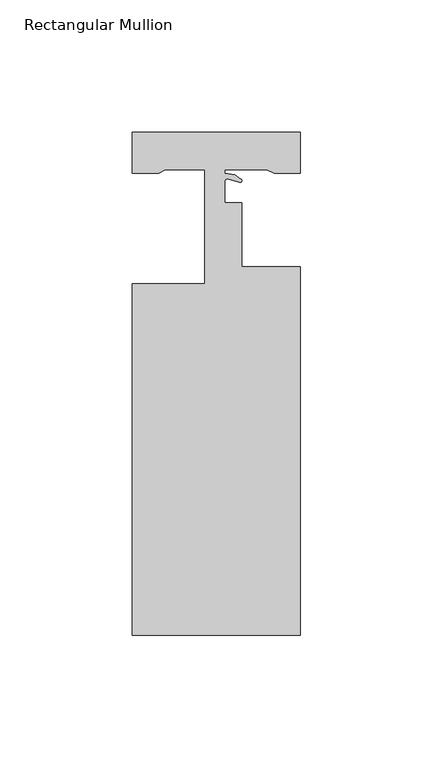
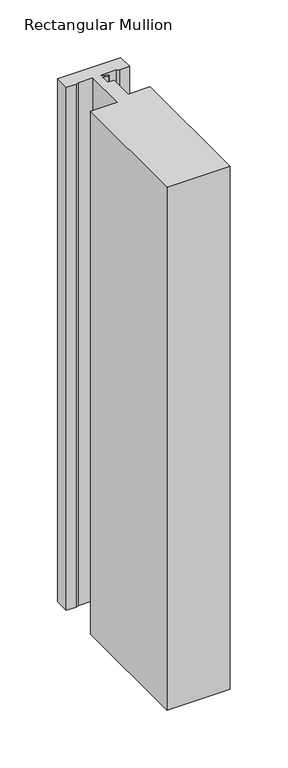
"""IFC4 building model written with IfcOpenShell, lengths in millimetres: member geometry, Rectangular Mullion."""

from ifc_helpers import new_model, si_unit, point, frame, frame_2d, origin, place, context, project, spatial, polyline, circle_curve, trimmed, segment, composite_curve, outline, extrude, source, transform, mapped, element, save


def rectangular_mullion_14087eb5(model_context):
    return source(origin(), model_context, "Body", "SweptSolid", [
        extrude(outline(composite_curve([segment(polyline([(31.75, -151.892), (-31.75, -151.892), (-31.75, -19.05), (-4.4809208, -19.05), (-4.4809208, 24.003), (-19.2970846, 24.003), (-21.8329567, 22.7330977), (-31.75, 22.7330977), (-31.75, 38.1), (31.75, 38.1), (31.75, 22.7330002), (21.8335611, 22.7330002), (19.05, 24.003), (3.1750001, 24.003), (3.1750001, 22.6708645), (6.9736326, 22.0206601), (9.2271396, 20.4427376)]), True, "CONTINUOUS"), segment(trimmed(circle_curve(frame_2d((8.8264964, 19.8705599)), 0.6985), [point((9.2271396, 20.4427376))], [point((8.6323393, 19.1995865))], False, "CARTESIAN"), True, "CONTINUOUS"), segment(polyline([(8.6323393, 19.1995865), (4.1488042, 20.4969706)]), True, "CONTINUOUS"), segment(trimmed(circle_curve(frame_2d((3.9369964, 19.7649996)), 0.762), [point((4.1488042, 20.4969706))], [point((3.1750001, 19.7626247))], True, "CARTESIAN"), True, "CONTINUOUS"), segment(polyline([(3.1750001, 19.7626247), (3.1750001, 11.4344315), (9.4838903, 11.4344315), (9.4838903, -12.7), (31.75, -12.7), (31.75, -151.892)]), True, "CONTINUOUS")], self_intersect=False)), frame((0.0, 0.0, -554.0417534), z_axis=(0.0, 0.0, 1.0), x_axis=(1.0, 0.0, 0.0)), (0.0, 0.0, 1.0), 554.0417534),
    ])


if __name__ == "__main__":
    model = new_model("IFC4")
    model_context = context("Model", 3, world=origin())
    ifc_project = project(units=[si_unit("LENGTHUNIT", "METRE", prefix="MILLI")], contexts=[model_context])
    site = spatial("IfcSite", under=ifc_project)
    building = spatial("IfcBuilding", under=site)
    placement = place(None, origin())
    rectangular_mullion_shape = rectangular_mullion_14087eb5(model_context)
    element("IfcMember", 1, ObjectType="Rectangular Mullion", at=placement, inside=building, context=model_context, shape_type="MappedRepresentation", body=[
        mapped(rectangular_mullion_shape, transform((0.0, 0.0, 0.0), x_axis=(1.0, 0.0, 0.0), y_axis=(0.0, 1.0, 0.0), z_axis=(0.0, 0.0, 1.0))),
    ])
    save(model, "model.ifc")
